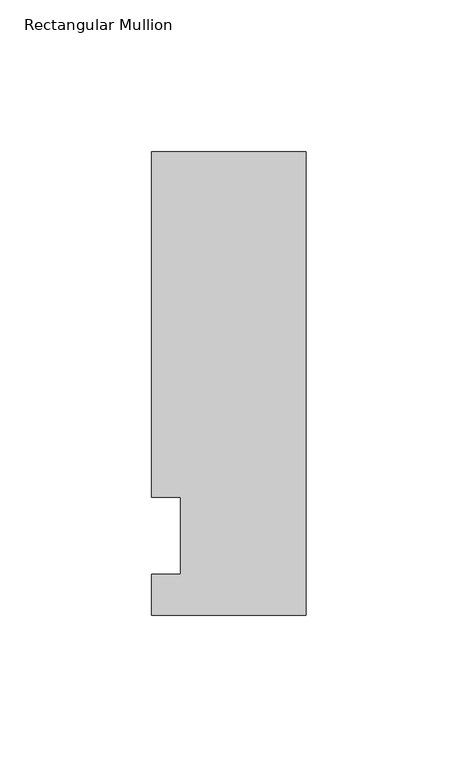
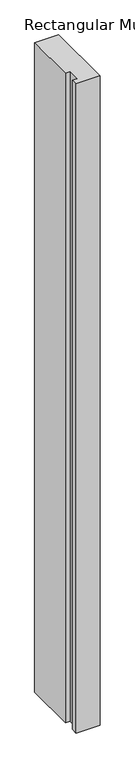
"""IFC4 building model written with IfcOpenShell, lengths in millimetres: member geometry, Rectangular Mullion."""

import ifcopenshell
import ifcopenshell.guid

model = None  # the IFC model being written
_history = None  # IfcOwnerHistory: only IFC2X3 demands one
_inside = {}  # id of a spatial element -> (the spatial element, [elements in it])
_under = {}  # id of a project, library or spatial element -> (it, [spatial elements below it])
_declared = {}  # id of a project -> (the project, [libraries it declares])
_typed = {}  # id of a type object -> (the type object, [elements of that type])
_made_of = {}  # id of a material, layer set ... -> (it, [elements and type objects made of it])


def new_model(schema):
    """Start an empty IFC model of exactly this schema.

    Asked for "IFC4X3", IfcOpenShell would pick the latest addendum, in which some entities
    have other attributes; the version numbers below select the first issue.
    IFC2X3 requires an IfcOwnerHistory on every rooted entity: one is made here for all.
    """
    global model, _history
    if schema == "IFC4X3":
        model = ifcopenshell.file(schema_version=(4, 3, 0, 0))
    else:
        model = ifcopenshell.file(schema=schema)
    _inside.clear()
    _under.clear()
    _declared.clear()
    _typed.clear()
    _made_of.clear()
    _history = None
    if model.schema == "IFC2X3":
        org = make("IfcOrganization", Name="unknown")
        user = make(
            "IfcPersonAndOrganization",
            ThePerson=make("IfcPerson", FamilyName="unknown"),
            TheOrganization=org,
        )
        app = make(
            "IfcApplication",
            ApplicationDeveloper=org,
            Version="unknown",
            ApplicationFullName="unknown",
            ApplicationIdentifier="unknown",
        )
        _history = make(
            "IfcOwnerHistory",
            OwningUser=user,
            OwningApplication=app,
            ChangeAction="ADDED",
            CreationDate=0,
        )
    return model


def make(cls, **values):
    """One entity of the class cls with the attributes given. An attribute that is None is left unset."""
    return model.create_entity(
        cls, **{name: value for name, value in values.items() if value is not None}
    )


def rooted(cls, **values):
    """An entity with a GlobalId (a new one), such as an element, a storey or a relation."""
    return make(cls, GlobalId=ifcopenshell.guid.new(), OwnerHistory=_history, **values)


def si_unit(unit_type, name, prefix=None):
    """IfcSIUnit, for example si_unit("LENGTHUNIT", "METRE", prefix="MILLI")."""
    return make("IfcSIUnit", UnitType=unit_type, Prefix=prefix, Name=name)


def assignment(units):
    """IfcUnitAssignment: the units of a project."""
    return None if units is None else make("IfcUnitAssignment", Units=units)


def point(xyz):
    """IfcCartesianPoint."""
    return None if xyz is None else make("IfcCartesianPoint", Coordinates=xyz)


def direction(xyz):
    """IfcDirection."""
    return None if xyz is None else make("IfcDirection", DirectionRatios=xyz)


def frame(location, z_axis=None, x_axis=None):
    """IfcAxis2Placement3D, a coordinate frame: its origin and axes. An axis left out is left unset."""
    return make(
        "IfcAxis2Placement3D",
        Location=point(location),
        Axis=direction(z_axis),
        RefDirection=direction(x_axis),
    )


def origin():
    """The frame at (0, 0, 0) with its axes left unset."""
    return frame((0.0, 0.0, 0.0))


def place(relative_to, where):
    """IfcLocalPlacement: puts the frame where relative to a parent placement (None: the world)."""
    return make(
        "IfcLocalPlacement", PlacementRelTo=relative_to, RelativePlacement=where
    )


def context(
    kind, dimensions, precision=None, world=None, true_north=None, identifier=None
):
    """IfcGeometricRepresentationContext, for example the 3D "Model" context."""
    return make(
        "IfcGeometricRepresentationContext",
        ContextIdentifier=identifier,
        ContextType=kind,
        CoordinateSpaceDimension=dimensions,
        Precision=precision,
        WorldCoordinateSystem=world,
        TrueNorth=true_north,
    )


def project(units=None, contexts=None):
    """IfcProject with its units and contexts."""
    return rooted(
        "IfcProject",
        Name="project",
        RepresentationContexts=contexts,
        UnitsInContext=assignment(units),
    )


def spatial(cls, under=None, at=None, **own):
    """A site, building, storey or space (cls), placed at a placement, below another one or the project."""
    s = rooted(cls, ObjectPlacement=at, **own)
    if under is not None:
        _under.setdefault(under.id(), (under, []))[1].append(s)
    return s


def polyline(points):
    """IfcPolyline through the points."""
    return make("IfcPolyline", Points=[point(p) for p in points])


def outline(outer, holes=None, kind="AREA"):
    """IfcArbitraryClosedProfileDef: a profile drawn as a closed curve; with holes, ...WithVoids."""
    if holes is None:
        return make("IfcArbitraryClosedProfileDef", ProfileType=kind, OuterCurve=outer)
    return make(
        "IfcArbitraryProfileDefWithVoids",
        ProfileType=kind,
        OuterCurve=outer,
        InnerCurves=holes,
    )


def extrude(swept, where, along, depth):
    """IfcExtrudedAreaSolid: the profile swept, set in the frame where, extruded along a direction by depth."""
    return make(
        "IfcExtrudedAreaSolid",
        SweptArea=swept,
        Position=where,
        ExtrudedDirection=direction(along),
        Depth=depth,
    )


def shape(context_of_items, identifier, shape_type, items):
    """IfcShapeRepresentation: the items that make up one representation, for example the "Body"."""
    return make(
        "IfcShapeRepresentation",
        ContextOfItems=context_of_items,
        RepresentationIdentifier=identifier,
        RepresentationType=shape_type,
        Items=items,
    )


def source(mapping_origin, context_of_items, identifier, shape_type, items):
    """IfcRepresentationMap: a shape defined once, which mapped items show again and again."""
    return make(
        "IfcRepresentationMap",
        MappingOrigin=mapping_origin,
        MappedRepresentation=shape(context_of_items, identifier, shape_type, items),
    )


def transform(
    local_origin,
    x_axis=None,
    y_axis=None,
    z_axis=None,
    scale=None,
    scale2=None,
    scale3=None,
    uniform=True,
):
    """IfcCartesianTransformationOperator3D, or its non-uniform kind. x_axis, y_axis, z_axis: its Axis1, 2, 3."""
    if uniform:
        return make(
            "IfcCartesianTransformationOperator3D",
            Axis1=direction(x_axis),
            Axis2=direction(y_axis),
            LocalOrigin=point(local_origin),
            Scale=scale,
            Axis3=direction(z_axis),
        )
    return make(
        "IfcCartesianTransformationOperator3DnonUniform",
        Axis1=direction(x_axis),
        Axis2=direction(y_axis),
        LocalOrigin=point(local_origin),
        Scale=scale,
        Axis3=direction(z_axis),
        Scale2=scale2,
        Scale3=scale3,
    )


def mapped(mapping_source, mapping_target):
    """IfcMappedItem: shows the shape of a source again, moved by a transform."""
    return make(
        "IfcMappedItem", MappingSource=mapping_source, MappingTarget=mapping_target
    )


def made_of(thing, what):
    """Note that an element or type object is made of a material, layer set ...; save() writes the relation."""
    if what is not None:
        _made_of.setdefault(what.id(), (what, []))[1].append(thing)
    return thing


def element(
    cls,
    number,
    at=None,
    inside=None,
    cuts=None,
    type_object=None,
    material=None,
    context=None,
    identifier="Body",
    shape_type=None,
    held_by="IfcProductDefinitionShape",
    body=None,
    shapes=None,
    **own,
):
    """One element of the class cls, such as IfcWall. Its Tag is "e" and its number.

    at: its placement. inside: the storey or other place that contains it. cuts: it is an
    opening in that element (IfcRelVoidsElement). A single representation is given by context,
    identifier, shape_type and body (its items); several are given by shapes. held_by: the class
    of the entity that holds the representations. save() writes the other relations.
    """
    e = rooted(cls, Tag="e%d" % number, ObjectPlacement=at, **own)
    if body is not None:
        shapes = [shape(context, identifier, shape_type, body)]
    if shapes is not None:
        e.Representation = make(held_by, Representations=shapes)
    if inside is not None:
        _inside.setdefault(inside.id(), (inside, []))[1].append(e)
    if cuts is not None:
        rooted(
            "IfcRelVoidsElement", RelatingBuildingElement=cuts, RelatedOpeningElement=e
        )
    if type_object is not None:
        _typed.setdefault(type_object.id(), (type_object, []))[1].append(e)
    return made_of(e, material)


def aggregate(whole, parts):
    """IfcRelAggregates: a whole, such as a stair, and the parts it consists of."""
    return rooted("IfcRelAggregates", RelatingObject=whole, RelatedObjects=parts)


def save(model, path):
    """Write the relations noted so far, then the file.

    IfcRelAggregates (storeys below a building ...), IfcRelContainedInSpatialStructure (elements
    in a storey), IfcRelDefinesByType, IfcRelAssociatesMaterial and IfcRelDeclares: one each for
    every whole, place, type object, material and project.
    """
    for whole, parts in _under.values():
        aggregate(whole, parts)
    for where, things in _inside.values():
        rooted(
            "IfcRelContainedInSpatialStructure",
            RelatedElements=things,
            RelatingStructure=where,
        )
    for kind, things in _typed.values():
        rooted("IfcRelDefinesByType", RelatedObjects=things, RelatingType=kind)
    for what, things in _made_of.values():
        rooted("IfcRelAssociatesMaterial", RelatedObjects=things, RelatingMaterial=what)
    for by, libraries in _declared.values():
        rooted("IfcRelDeclares", RelatingContext=by, RelatedDefinitions=libraries)
    model.write(path)


def rectangular_mullion_c3e04df1(model_context):
    return source(origin(), model_context, "Body", "SweptSolid", [
        extrude(outline(polyline([(-50.8, -26.19375), (-50.8, -12.7), (-41.275, -12.7), (-41.275, 12.7), (-50.8, 12.7), (-50.8, 126.20625), (0.0, 126.20625), (0.0, -26.19375), (-50.8, -26.19375)])), frame((0.0, 0.0, -1460.5), z_axis=(0.0, 0.0, 1.0), x_axis=(1.0, 0.0, 0.0)), (0.0, 0.0, 1.0), 1460.5),
    ])


if __name__ == "__main__":
    model = new_model("IFC4")
    model_context = context("Model", 3, world=origin())
    ifc_project = project(units=[si_unit("LENGTHUNIT", "METRE", prefix="MILLI")], contexts=[model_context])
    site = spatial("IfcSite", under=ifc_project)
    building = spatial("IfcBuilding", under=site)
    placement = place(None, origin())
    rectangular_mullion_shape = rectangular_mullion_c3e04df1(model_context)
    element("IfcMember", 1, ObjectType="Rectangular Mullion", at=placement, inside=building, context=model_context, shape_type="MappedRepresentation", body=[
        mapped(rectangular_mullion_shape, transform((0.0, 0.0, 0.0), x_axis=(1.0, 0.0, 0.0), y_axis=(0.0, 1.0, 0.0), z_axis=(0.0, 0.0, 1.0))),
    ])
    save(model, "model.ifc")
